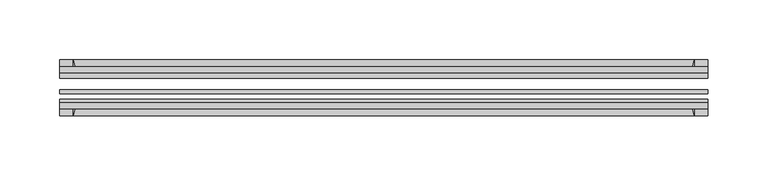
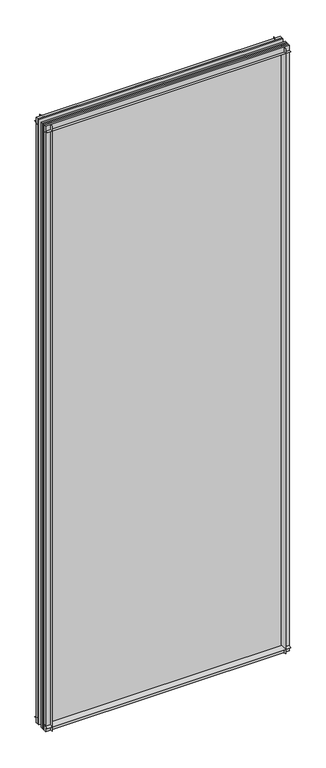
"""IFC4 building model written with IfcOpenShell, lengths in millimetres: plate geometry."""

from ifc_helpers import new_model, si_unit, point, frame, frame_2d, origin, place, context, project, spatial, polyline, circle_curve, trimmed, segment, composite_curve, outline, extrude, source, transform, mapped, element, save


def plate_9fb266a0(model_context):
    return source(origin(), model_context, "Body", "SweptSolid", [
        extrude(outline(composite_curve([segment(polyline([(-74.653775, 0.0), (-80.586498, 0.0)]), True, "CONTINUOUS"), segment(trimmed(circle_curve(frame_2d((-86.2543953, 32.273404)), 32.7673262), [point((-80.586498, 0.0))], [point((-69.878575, 3.8915405))], True, "CARTESIAN"), True, "CONTINUOUS"), segment(polyline([(-69.878575, 3.8915405), (-69.878575, -10.31875), (-74.653775, -10.31875), (-74.653775, 0.0)]), True, "CONTINUOUS")], self_intersect=False)), frame((-271.4625, 0.0, 0.0), z_axis=(1.0, 0.0, 0.0), x_axis=(0.0, 1.0, 0.0)), (0.0, 0.0, 1.0), 542.925),
        extrude(outline(composite_curve([segment(polyline([(-44.478575, -10.31875), (-44.478575, 3.8915405)]), True, "CONTINUOUS"), segment(trimmed(circle_curve(frame_2d((-28.1027547, 32.273404)), 32.7673262), [point((-44.478575, 3.8915405))], [point((-33.770652, 0.0))], True, "CARTESIAN"), True, "CONTINUOUS"), segment(polyline([(-33.770652, 0.0), (-39.703375, 0.0), (-39.703375, -10.31875), (-44.478575, -10.31875)]), True, "CONTINUOUS")], self_intersect=False)), frame((-271.4625, 0.0, 0.0), z_axis=(1.0, 0.0, 0.0), x_axis=(0.0, 1.0, 0.0)), (0.0, 0.0, 1.0), 542.925),
        extrude(outline(composite_curve([segment(trimmed(circle_curve(frame_2d((-86.2543953, 1367.895246)), 32.7673262), [point((-69.878575, 1396.2771095))], [point((-80.622775, 1400.175))], True, "CARTESIAN"), True, "CONTINUOUS"), segment(polyline([(-80.622775, 1400.175), (-74.653775, 1400.175), (-74.653775, 1411.2875), (-69.878575, 1411.2875), (-69.878575, 1396.2771095)]), True, "CONTINUOUS")], self_intersect=False)), frame((-271.4625, 0.0, 0.0), z_axis=(1.0, 0.0, 0.0), x_axis=(0.0, 1.0, 0.0)), (0.0, 0.0, 1.0), 542.925),
        extrude(outline(composite_curve([segment(polyline([(-44.478575, 1396.2771095), (-44.478575, 1411.2875), (-39.703375, 1411.2875), (-39.703375, 1400.175), (-33.734375, 1400.175)]), True, "CONTINUOUS"), segment(trimmed(circle_curve(frame_2d((-28.1027547, 1367.895246)), 32.7673262), [point((-33.734375, 1400.175))], [point((-44.478575, 1396.2771095))], True, "CARTESIAN"), True, "CONTINUOUS")], self_intersect=False)), frame((-271.4625, 0.0, 0.0), z_axis=(1.0, 0.0, 0.0), x_axis=(0.0, 1.0, 0.0)), (0.0, 0.0, 1.0), 542.925),
        extrude(outline(composite_curve([segment(polyline([(256.4521095, -69.878575), (271.4625, -69.878575), (271.4625, -74.653775), (260.35, -74.653775), (260.35, -80.622775)]), True, "CONTINUOUS"), segment(trimmed(circle_curve(frame_2d((228.070246, -86.2543953)), 32.7673262), [point((260.35, -80.622775))], [point((256.4521095, -69.878575))], True, "CARTESIAN"), True, "CONTINUOUS")], self_intersect=False)), frame((0.0, 0.0, -10.31875), z_axis=(0.0, 0.0, 1.0), x_axis=(1.0, 0.0, 0.0)), (0.0, 0.0, 1.0), 1421.60625),
        extrude(outline(composite_curve([segment(trimmed(circle_curve(frame_2d((228.070246, -28.1027547)), 32.7673262), [point((256.4521095, -44.478575))], [point((260.35, -33.734375))], True, "CARTESIAN"), True, "CONTINUOUS"), segment(polyline([(260.35, -33.734375), (260.35, -39.703375), (271.4625, -39.703375), (271.4625, -44.478575), (256.4521095, -44.478575)]), True, "CONTINUOUS")], self_intersect=False)), frame((0.0, 0.0, -10.31875), z_axis=(0.0, 0.0, 1.0), x_axis=(1.0, 0.0, 0.0)), (0.0, 0.0, 1.0), 1421.60625),
        extrude(outline(composite_curve([segment(trimmed(circle_curve(frame_2d((-228.070246, -86.2543953)), 32.7673262), [point((-256.4521095, -69.878575))], [point((-260.35, -80.622775))], True, "CARTESIAN"), True, "CONTINUOUS"), segment(polyline([(-260.35, -80.622775), (-260.35, -74.653775), (-271.4625, -74.653775), (-271.4625, -69.878575), (-256.4521095, -69.878575)]), True, "CONTINUOUS")], self_intersect=False)), frame((0.0, 0.0, -10.31875), z_axis=(0.0, 0.0, 1.0), x_axis=(1.0, 0.0, 0.0)), (0.0, 0.0, 1.0), 1421.60625),
        extrude(outline(composite_curve([segment(polyline([(-256.4521095, -44.478575), (-271.4625, -44.478575), (-271.4625, -39.703375), (-260.35, -39.703375), (-260.35, -33.734375)]), True, "CONTINUOUS"), segment(trimmed(circle_curve(frame_2d((-228.070246, -28.1027547)), 32.7673262), [point((-260.35, -33.734375))], [point((-256.4521095, -44.478575))], True, "CARTESIAN"), True, "CONTINUOUS")], self_intersect=False)), frame((0.0, 0.0, -10.31875), z_axis=(0.0, 0.0, 1.0), x_axis=(1.0, 0.0, 0.0)), (0.0, 0.0, 1.0), 1421.60625),
        extrude(outline(polyline([(-271.4625, -44.478575), (271.4625, -44.478575), (271.4625, -49.241075), (-271.4625, -49.241075), (-271.4625, -44.478575)])), frame((0.0, 0.0, -10.31875), z_axis=(0.0, 0.0, 1.0), x_axis=(1.0, 0.0, 0.0)), (0.0, 0.0, 1.0), 1421.60625),
        extrude(outline(polyline([(271.4625, -58.956575), (271.4625, -62.131575), (-271.4625, -62.131575), (-271.4625, -58.956575), (271.4625, -58.956575)])), frame((0.0, 0.0, -10.31875), z_axis=(0.0, 0.0, 1.0), x_axis=(1.0, 0.0, 0.0)), (0.0, 0.0, 1.0), 1421.60625),
        extrude(outline(polyline([(-271.4625, -66.703575), (271.4625, -66.703575), (271.4625, -69.878575), (-271.4625, -69.878575), (-271.4625, -66.703575)])), frame((0.0, 0.0, -10.31875), z_axis=(0.0, 0.0, 1.0), x_axis=(1.0, 0.0, 0.0)), (0.0, 0.0, 1.0), 1421.60625),
    ])


if __name__ == "__main__":
    model = new_model("IFC4")
    model_context = context("Model", 3, world=origin())
    ifc_project = project(units=[si_unit("LENGTHUNIT", "METRE", prefix="MILLI")], contexts=[model_context])
    site = spatial("IfcSite", under=ifc_project)
    building = spatial("IfcBuilding", under=site)
    placement = place(None, origin())
    plate_shape = plate_9fb266a0(model_context)
    element("IfcPlate", 1, at=placement, inside=building, context=model_context, shape_type="MappedRepresentation", body=[
        mapped(plate_shape, transform((0.0, 0.0, 0.0), x_axis=(1.0, 0.0, 0.0), y_axis=(0.0, 1.0, 0.0), z_axis=(0.0, 0.0, 1.0))),
    ])
    save(model, "model.ifc")
